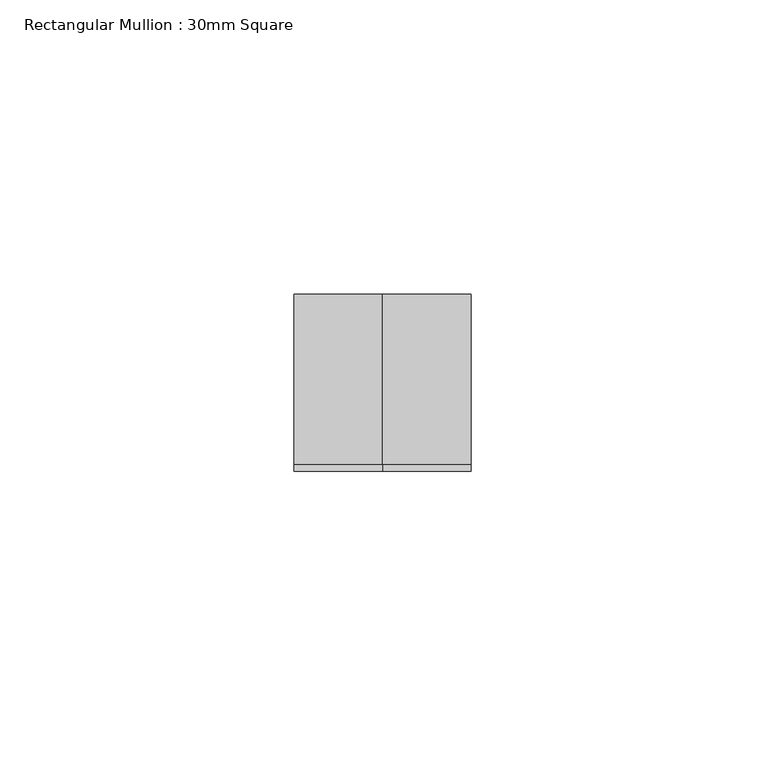
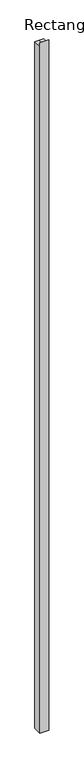
"""IFC4 building model written with IfcOpenShell, lengths in millimetres: member geometry, Rectangular Mullion : 30mm Square."""

import ifcopenshell
import ifcopenshell.guid

model = None  # the IFC model being written
_history = None  # IfcOwnerHistory: only IFC2X3 demands one
_inside = {}  # id of a spatial element -> (the spatial element, [elements in it])
_under = {}  # id of a project, library or spatial element -> (it, [spatial elements below it])
_declared = {}  # id of a project -> (the project, [libraries it declares])
_typed = {}  # id of a type object -> (the type object, [elements of that type])
_made_of = {}  # id of a material, layer set ... -> (it, [elements and type objects made of it])


def new_model(schema):
    """Start an empty IFC model of exactly this schema.

    Asked for "IFC4X3", IfcOpenShell would pick the latest addendum, in which some entities
    have other attributes; the version numbers below select the first issue.
    IFC2X3 requires an IfcOwnerHistory on every rooted entity: one is made here for all.
    """
    global model, _history
    if schema == "IFC4X3":
        model = ifcopenshell.file(schema_version=(4, 3, 0, 0))
    else:
        model = ifcopenshell.file(schema=schema)
    _inside.clear()
    _under.clear()
    _declared.clear()
    _typed.clear()
    _made_of.clear()
    _history = None
    if model.schema == "IFC2X3":
        org = make("IfcOrganization", Name="unknown")
        user = make(
            "IfcPersonAndOrganization",
            ThePerson=make("IfcPerson", FamilyName="unknown"),
            TheOrganization=org,
        )
        app = make(
            "IfcApplication",
            ApplicationDeveloper=org,
            Version="unknown",
            ApplicationFullName="unknown",
            ApplicationIdentifier="unknown",
        )
        _history = make(
            "IfcOwnerHistory",
            OwningUser=user,
            OwningApplication=app,
            ChangeAction="ADDED",
            CreationDate=0,
        )
    return model


def make(cls, **values):
    """One entity of the class cls with the attributes given. An attribute that is None is left unset."""
    return model.create_entity(
        cls, **{name: value for name, value in values.items() if value is not None}
    )


def rooted(cls, **values):
    """An entity with a GlobalId (a new one), such as an element, a storey or a relation."""
    return make(cls, GlobalId=ifcopenshell.guid.new(), OwnerHistory=_history, **values)


def si_unit(unit_type, name, prefix=None):
    """IfcSIUnit, for example si_unit("LENGTHUNIT", "METRE", prefix="MILLI")."""
    return make("IfcSIUnit", UnitType=unit_type, Prefix=prefix, Name=name)


def assignment(units):
    """IfcUnitAssignment: the units of a project."""
    return None if units is None else make("IfcUnitAssignment", Units=units)


def point(xyz):
    """IfcCartesianPoint."""
    return None if xyz is None else make("IfcCartesianPoint", Coordinates=xyz)


def direction(xyz):
    """IfcDirection."""
    return None if xyz is None else make("IfcDirection", DirectionRatios=xyz)


def frame(location, z_axis=None, x_axis=None):
    """IfcAxis2Placement3D, a coordinate frame: its origin and axes. An axis left out is left unset."""
    return make(
        "IfcAxis2Placement3D",
        Location=point(location),
        Axis=direction(z_axis),
        RefDirection=direction(x_axis),
    )


def origin():
    """The frame at (0, 0, 0) with its axes left unset."""
    return frame((0.0, 0.0, 0.0))


def place(relative_to, where):
    """IfcLocalPlacement: puts the frame where relative to a parent placement (None: the world)."""
    return make(
        "IfcLocalPlacement", PlacementRelTo=relative_to, RelativePlacement=where
    )


def context(
    kind, dimensions, precision=None, world=None, true_north=None, identifier=None
):
    """IfcGeometricRepresentationContext, for example the 3D "Model" context."""
    return make(
        "IfcGeometricRepresentationContext",
        ContextIdentifier=identifier,
        ContextType=kind,
        CoordinateSpaceDimension=dimensions,
        Precision=precision,
        WorldCoordinateSystem=world,
        TrueNorth=true_north,
    )


def project(units=None, contexts=None):
    """IfcProject with its units and contexts."""
    return rooted(
        "IfcProject",
        Name="project",
        RepresentationContexts=contexts,
        UnitsInContext=assignment(units),
    )


def spatial(cls, under=None, at=None, **own):
    """A site, building, storey or space (cls), placed at a placement, below another one or the project."""
    s = rooted(cls, ObjectPlacement=at, **own)
    if under is not None:
        _under.setdefault(under.id(), (under, []))[1].append(s)
    return s


def faces_of(points, faces, orient=None, outer=None):
    """IfcFace entities. A face is a list of loops; a loop is a list of indices into points, from 0.

    orient and outer hold one flag for each loop. By default every Orientation is true, the
    first loop of a face is its IfcFaceOuterBound and the others are IfcFaceBound.
    """
    made = []
    for i, loops in enumerate(faces):
        bounds = []
        for j, loop in enumerate(loops):
            is_outer = j == 0 if outer is None else outer[i][j]
            bounds.append(
                make(
                    "IfcFaceOuterBound" if is_outer else "IfcFaceBound",
                    Bound=make("IfcPolyLoop", Polygon=[points[k] for k in loop]),
                    Orientation=True if orient is None else orient[i][j],
                )
            )
        made.append(make("IfcFace", Bounds=bounds))
    return made


def faceted_brep(points, faces, orient=None, outer=None, voids=None):
    """IfcFacetedBrep: a solid bounded by flat faces; with voids (closed shells), ...WithVoids."""
    shared = [point(p) for p in points]
    hull = make("IfcClosedShell", CfsFaces=faces_of(shared, faces, orient, outer))
    if voids is None:
        return make("IfcFacetedBrep", Outer=hull)
    return make(
        "IfcFacetedBrepWithVoids",
        Outer=hull,
        Voids=[
            make(cls, CfsFaces=faces_of(shared, fs, o, b)) for cls, fs, o, b in voids
        ],
    )


def shape(context_of_items, identifier, shape_type, items):
    """IfcShapeRepresentation: the items that make up one representation, for example the "Body"."""
    return make(
        "IfcShapeRepresentation",
        ContextOfItems=context_of_items,
        RepresentationIdentifier=identifier,
        RepresentationType=shape_type,
        Items=items,
    )


def source(mapping_origin, context_of_items, identifier, shape_type, items):
    """IfcRepresentationMap: a shape defined once, which mapped items show again and again."""
    return make(
        "IfcRepresentationMap",
        MappingOrigin=mapping_origin,
        MappedRepresentation=shape(context_of_items, identifier, shape_type, items),
    )


def transform(
    local_origin,
    x_axis=None,
    y_axis=None,
    z_axis=None,
    scale=None,
    scale2=None,
    scale3=None,
    uniform=True,
):
    """IfcCartesianTransformationOperator3D, or its non-uniform kind. x_axis, y_axis, z_axis: its Axis1, 2, 3."""
    if uniform:
        return make(
            "IfcCartesianTransformationOperator3D",
            Axis1=direction(x_axis),
            Axis2=direction(y_axis),
            LocalOrigin=point(local_origin),
            Scale=scale,
            Axis3=direction(z_axis),
        )
    return make(
        "IfcCartesianTransformationOperator3DnonUniform",
        Axis1=direction(x_axis),
        Axis2=direction(y_axis),
        LocalOrigin=point(local_origin),
        Scale=scale,
        Axis3=direction(z_axis),
        Scale2=scale2,
        Scale3=scale3,
    )


def mapped(mapping_source, mapping_target):
    """IfcMappedItem: shows the shape of a source again, moved by a transform."""
    return make(
        "IfcMappedItem", MappingSource=mapping_source, MappingTarget=mapping_target
    )


def made_of(thing, what):
    """Note that an element or type object is made of a material, layer set ...; save() writes the relation."""
    if what is not None:
        _made_of.setdefault(what.id(), (what, []))[1].append(thing)
    return thing


def element(
    cls,
    number,
    at=None,
    inside=None,
    cuts=None,
    type_object=None,
    material=None,
    context=None,
    identifier="Body",
    shape_type=None,
    held_by="IfcProductDefinitionShape",
    body=None,
    shapes=None,
    **own,
):
    """One element of the class cls, such as IfcWall. Its Tag is "e" and its number.

    at: its placement. inside: the storey or other place that contains it. cuts: it is an
    opening in that element (IfcRelVoidsElement). A single representation is given by context,
    identifier, shape_type and body (its items); several are given by shapes. held_by: the class
    of the entity that holds the representations. save() writes the other relations.
    """
    e = rooted(cls, Tag="e%d" % number, ObjectPlacement=at, **own)
    if body is not None:
        shapes = [shape(context, identifier, shape_type, body)]
    if shapes is not None:
        e.Representation = make(held_by, Representations=shapes)
    if inside is not None:
        _inside.setdefault(inside.id(), (inside, []))[1].append(e)
    if cuts is not None:
        rooted(
            "IfcRelVoidsElement", RelatingBuildingElement=cuts, RelatedOpeningElement=e
        )
    if type_object is not None:
        _typed.setdefault(type_object.id(), (type_object, []))[1].append(e)
    return made_of(e, material)


def aggregate(whole, parts):
    """IfcRelAggregates: a whole, such as a stair, and the parts it consists of."""
    return rooted("IfcRelAggregates", RelatingObject=whole, RelatedObjects=parts)


def save(model, path):
    """Write the relations noted so far, then the file.

    IfcRelAggregates (storeys below a building ...), IfcRelContainedInSpatialStructure (elements
    in a storey), IfcRelDefinesByType, IfcRelAssociatesMaterial and IfcRelDeclares: one each for
    every whole, place, type object, material and project.
    """
    for whole, parts in _under.values():
        aggregate(whole, parts)
    for where, things in _inside.values():
        rooted(
            "IfcRelContainedInSpatialStructure",
            RelatedElements=things,
            RelatingStructure=where,
        )
    for kind, things in _typed.values():
        rooted("IfcRelDefinesByType", RelatedObjects=things, RelatingType=kind)
    for what, things in _made_of.values():
        rooted("IfcRelAssociatesMaterial", RelatedObjects=things, RelatingMaterial=what)
    for by, libraries in _declared.values():
        rooted("IfcRelDeclares", RelatingContext=by, RelatedDefinitions=libraries)
    model.write(path)


def rectangular_mullion_30mm_square_098c2dfb(model_context):
    return source(origin(), model_context, "Body", "Brep", [
        faceted_brep([(15.0, 15.0, -2470.000017), (15.0, -15.0, -2470.000017), (-15.0, -15.0, -2470.000017), (-15.0, 15.0, -2470.000017), (-15.0, 15.0, 1.0714004), (0.0, 15.0, 1.0714004), (15.0, 15.0, 1.0714004), (-15.0, -15.0, 14.4444596), (-15.0, -13.8493475, -1.0684652), (15.0, -15.0, 14.4444596), (0.0, -15.0, 14.4444596), (15.0, -13.8493475, -1.0684652), (0.0, -13.8493475, -1.0684652)], [[[0, 1, 2, 3]], [[4, 5, 6, 0, 3]], [[7, 8, 4, 3, 2]], [[9, 10, 7, 2, 1]], [[6, 11, 9, 1, 0]], [[6, 5, 12, 11]], [[5, 4, 8, 12]], [[8, 7, 10, 12]], [[10, 9, 11, 12]]]),
    ])


if __name__ == "__main__":
    model = new_model("IFC4")
    model_context = context("Model", 3, world=origin())
    ifc_project = project(units=[si_unit("LENGTHUNIT", "METRE", prefix="MILLI")], contexts=[model_context])
    site = spatial("IfcSite", under=ifc_project)
    building = spatial("IfcBuilding", under=site)
    placement = place(None, origin())
    rectangular_mullion_30mm_square_shape = rectangular_mullion_30mm_square_098c2dfb(model_context)
    element("IfcMember", 1, ObjectType="Rectangular Mullion : 30mm Square", at=placement, inside=building, context=model_context, shape_type="MappedRepresentation", body=[
        mapped(rectangular_mullion_30mm_square_shape, transform((0.0, 0.0, 0.0), x_axis=(1.0, 0.0, 0.0), y_axis=(0.0, 1.0, 0.0), z_axis=(0.0, 0.0, 1.0))),
    ])
    save(model, "model.ifc")
